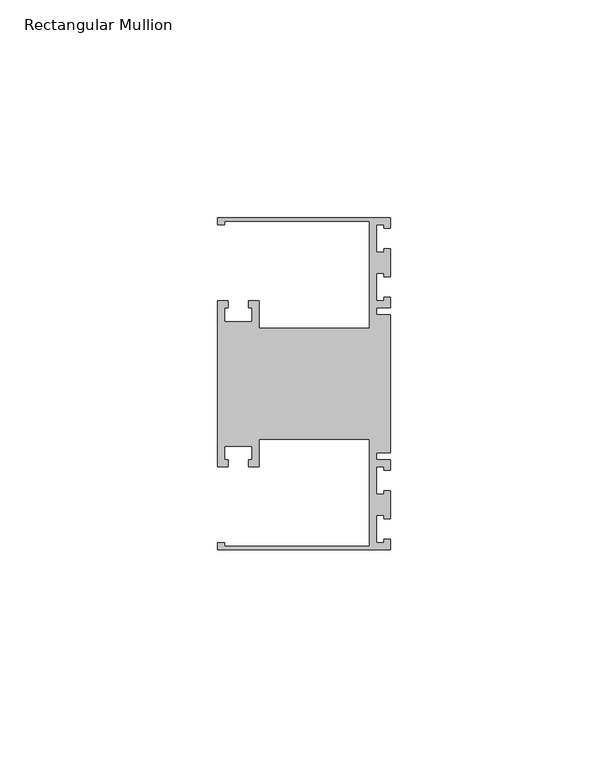
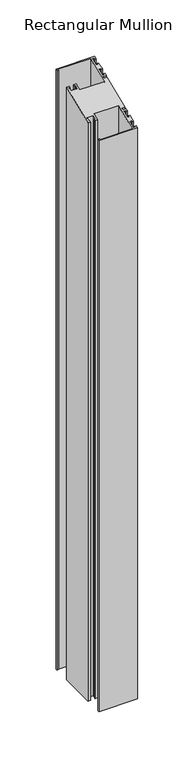
"""IFC4 building model written with IfcOpenShell, lengths in millimetres: member geometry, Rectangular Mullion."""

from ifc_helpers import new_model, si_unit, origin, place, context, project, spatial, faceted_brep, source, transform, mapped, element, save


def rectangular_mullion_57081bc0(model_context):
    return source(origin(), model_context, "Body", "Brep", [
        faceted_brep([(0.0, -38.1, -635.0), (-39.6875, -38.1, -635.0), (-39.6875, -36.5125, -635.0), (-38.1, -36.5125, -635.0), (-38.1, -37.30625, -635.0), (-4.7625, -37.30625, -635.0), (-4.7625, -12.7, -635.0), (-30.1625, -12.7, -635.0), (-30.1625, -19.05, -635.0), (-32.54375, -19.05, -635.0), (-32.54375, -17.4625, -635.0), (-31.75, -17.4625, -635.0), (-31.75, -14.2875, -635.0), (-38.1, -14.2875, -635.0), (-38.1, -17.4625, -635.0), (-37.30625, -17.4625, -635.0), (-37.30625, -19.05, -635.0), (-39.6875, -19.05, -635.0), (-39.6875, 19.05, -635.0), (-37.30625, 19.05, -635.0), (-37.30625, 17.4625, -635.0), (-38.1, 17.4625, -635.0), (-38.1, 14.2875, -635.0), (-31.75, 14.2875, -635.0), (-31.75, 17.4625, -635.0), (-32.54375, 17.4625, -635.0), (-32.54375, 19.05, -635.0), (-30.1625, 19.05, -635.0), (-30.1625, 12.7, -635.0), (-4.7625, 12.7, -635.0), (-4.7625, 37.30625, -635.0), (-38.1, 37.30625, -635.0), (-38.1, 36.5125, -635.0), (-39.6875, 36.5125, -635.0), (-39.6875, 38.1, -635.0), (0.0, 38.1, -635.0), (0.0, 35.71875, -635.0), (-1.4999946, 35.71875, -635.0), (-1.4999946, 36.5125, -635.0), (-3.175, 36.5125, -635.0), (-3.175, 30.1625, -635.0), (-1.4999946, 30.1625, -635.0), (-1.4999946, 30.95625, -635.0), (0.0, 30.95625, -635.0), (0.0, 24.60625, -635.0), (-1.4999946, 24.60625, -635.0), (-1.4999946, 25.4, -635.0), (-3.175, 25.4, -635.0), (-3.175, 19.05, -635.0), (-1.4999946, 19.05, -635.0), (-1.4999946, 19.84375, -635.0), (0.0, 19.84375, -635.0), (0.0, 17.4625, -635.0), (-3.175, 17.4625, -635.0), (-3.175, 15.875, -635.0), (0.0, 15.875, -635.0), (0.0, -15.875, -635.0), (-3.175, -15.875, -635.0), (-3.175, -17.4625, -635.0), (0.0, -17.4625, -635.0), (0.0, -19.84375, -635.0), (-1.4999946, -19.84375, -635.0), (-1.4999946, -19.05, -635.0), (-3.175, -19.05, -635.0), (-3.175, -25.4, -635.0), (-1.4999946, -25.4, -635.0), (-1.4999946, -24.60625, -635.0), (0.0, -24.60625, -635.0), (0.0, -30.95625, -635.0), (-1.4999946, -30.95625, -635.0), (-1.4999946, -30.1625, -635.0), (-3.175, -30.1625, -635.0), (-3.175, -36.5125, -635.0), (-1.4999946, -36.5125, -635.0), (-1.4999946, -35.71875, -635.0), (0.0, -35.71875, -635.0), (0.0, -35.71875, -14.7951907), (0.0, -38.1, -15.7815367), (-1.4999946, -35.71875, -14.7951907), (-1.4999946, -36.5125, -15.1239727), (-3.175, -36.5125, -15.1239727), (-3.175, -30.1625, -12.4937166), (-1.4999946, -30.1625, -12.4937166), (-1.4999946, -30.95625, -12.8224986), (0.0, -30.95625, -12.8224986), (0.0, -24.60625, -10.1922425), (-1.4999946, -24.60625, -10.1922425), (-1.4999946, -25.4, -10.5210245), (-3.175, -25.4, -10.5210245), (-3.175, -19.05, -7.8907684), (-1.4999946, -19.05, -7.8907684), (-1.4999946, -19.84375, -8.2195504), (0.0, -19.84375, -8.2195504), (0.0, -17.4625, -7.2332043), (-3.175, -17.4625, -7.2332043), (-3.175, -15.875, -6.5756403), (0.0, -15.875, -6.5756403), (0.0, 15.875, 6.5756403), (-3.175, 15.875, 6.5756403), (-3.175, 17.4625, 7.2332043), (0.0, 17.4625, 7.2332043), (0.0, 19.84375, 8.2195504), (-1.4999946, 19.84375, 8.2195504), (-1.4999946, 19.05, 7.8907684), (-3.175, 19.05, 7.8907684), (-3.175, 25.4, 10.5210245), (-1.4999946, 25.4, 10.5210245), (-1.4999946, 24.60625, 10.1922425), (0.0, 24.60625, 10.1922425), (0.0, 30.95625, 12.8224986), (-1.4999946, 30.95625, 12.8224986), (-1.4999946, 30.1625, 12.4937166), (-3.175, 30.1625, 12.4937166), (-3.175, 36.5125, 15.1239727), (-1.4999946, 36.5125, 15.1239727), (-1.4999946, 35.71875, 14.7951907), (0.0, 35.71875, 14.7951907), (0.0, 38.1, 15.7815367), (-39.6875, 38.1, 15.7815367), (-39.6875, 36.5125, 15.1239727), (-38.1, 36.5125, 15.1239727), (-38.1, 37.30625, 15.4527547), (-4.7625, 37.30625, 15.4527547), (-4.7625, 12.7, 5.2605122), (-30.1625, 12.7, 5.2605122), (-30.1625, 19.05, 7.8907684), (-32.54375, 19.05, 7.8907684), (-32.54375, 17.4625, 7.2332043), (-31.75, 17.4625, 7.2332043), (-31.75, 14.2875, 5.9180763), (-38.1, 14.2875, 5.9180763), (-38.1, 17.4625, 7.2332043), (-37.30625, 17.4625, 7.2332043), (-37.30625, 19.05, 7.8907684), (-39.6875, 19.05, 7.8907684), (-39.6875, -19.05, -7.8907684), (-37.30625, -19.05, -7.8907684), (-37.30625, -17.4625, -7.2332043), (-38.1, -17.4625, -7.2332043), (-38.1, -14.2875, -5.9180763), (-31.75, -14.2875, -5.9180763), (-31.75, -17.4625, -7.2332043), (-32.54375, -17.4625, -7.2332043), (-32.54375, -19.05, -7.8907684), (-30.1625, -19.05, -7.8907684), (-30.1625, -12.7, -5.2605122), (-4.7625, -12.7, -5.2605122), (-4.7625, -37.30625, -15.4527547), (-38.1, -37.30625, -15.4527547), (-38.1, -36.5125, -15.1239727), (-39.6875, -36.5125, -15.1239727), (-39.6875, -38.1, -15.7815367)], [[[0, 1, 2, 3, 4, 5, 6, 7, 8, 9, 10, 11, 12, 13, 14, 15, 16, 17, 18, 19, 20, 21, 22, 23, 24, 25, 26, 27, 28, 29, 30, 31, 32, 33, 34, 35, 36, 37, 38, 39, 40, 41, 42, 43, 44, 45, 46, 47, 48, 49, 50, 51, 52, 53, 54, 55, 56, 57, 58, 59, 60, 61, 62, 63, 64, 65, 66, 67, 68, 69, 70, 71, 72, 73, 74, 75]], [[76, 77, 0, 75]], [[78, 76, 75, 74]], [[79, 78, 74, 73]], [[80, 79, 73, 72]], [[81, 80, 72, 71]], [[82, 81, 71, 70]], [[83, 82, 70, 69]], [[84, 83, 69, 68]], [[85, 84, 68, 67]], [[86, 85, 67, 66]], [[87, 86, 66, 65]], [[88, 87, 65, 64]], [[89, 88, 64, 63]], [[90, 89, 63, 62]], [[91, 90, 62, 61]], [[92, 91, 61, 60]], [[93, 92, 60, 59]], [[94, 93, 59, 58]], [[95, 94, 58, 57]], [[96, 95, 57, 56]], [[97, 96, 56, 55]], [[98, 97, 55, 54]], [[99, 98, 54, 53]], [[100, 99, 53, 52]], [[101, 100, 52, 51]], [[102, 101, 51, 50]], [[103, 102, 50, 49]], [[104, 103, 49, 48]], [[105, 104, 48, 47]], [[106, 105, 47, 46]], [[107, 106, 46, 45]], [[108, 107, 45, 44]], [[109, 108, 44, 43]], [[110, 109, 43, 42]], [[111, 110, 42, 41]], [[112, 111, 41, 40]], [[113, 112, 40, 39]], [[114, 113, 39, 38]], [[115, 114, 38, 37]], [[116, 115, 37, 36]], [[117, 116, 36, 35]], [[118, 117, 35, 34]], [[119, 118, 34, 33]], [[120, 119, 33, 32]], [[121, 120, 32, 31]], [[122, 121, 31, 30]], [[123, 122, 30, 29]], [[124, 123, 29, 28]], [[125, 124, 28, 27]], [[126, 125, 27, 26]], [[127, 126, 26, 25]], [[128, 127, 25, 24]], [[129, 128, 24, 23]], [[130, 129, 23, 22]], [[131, 130, 22, 21]], [[132, 131, 21, 20]], [[133, 132, 20, 19]], [[134, 133, 19, 18]], [[135, 134, 18, 17]], [[136, 135, 17, 16]], [[137, 136, 16, 15]], [[138, 137, 15, 14]], [[139, 138, 14, 13]], [[140, 139, 13, 12]], [[141, 140, 12, 11]], [[142, 141, 11, 10]], [[143, 142, 10, 9]], [[144, 143, 9, 8]], [[145, 144, 8, 7]], [[146, 145, 7, 6]], [[147, 146, 6, 5]], [[148, 147, 5, 4]], [[149, 148, 4, 3]], [[150, 149, 3, 2]], [[151, 150, 2, 1]], [[77, 151, 1, 0]], [[77, 76, 78, 79, 80, 81, 82, 83, 84, 85, 86, 87, 88, 89, 90, 91, 92, 93, 94, 95, 96, 97, 98, 99, 100, 101, 102, 103, 104, 105, 106, 107, 108, 109, 110, 111, 112, 113, 114, 115, 116, 117, 118, 119, 120, 121, 122, 123, 124, 125, 126, 127, 128, 129, 130, 131, 132, 133, 134, 135, 136, 137, 138, 139, 140, 141, 142, 143, 144, 145, 146, 147, 148, 149, 150, 151]]]),
    ])


if __name__ == "__main__":
    model = new_model("IFC4")
    model_context = context("Model", 3, world=origin())
    ifc_project = project(units=[si_unit("LENGTHUNIT", "METRE", prefix="MILLI")], contexts=[model_context])
    site = spatial("IfcSite", under=ifc_project)
    building = spatial("IfcBuilding", under=site)
    placement = place(None, origin())
    rectangular_mullion_shape = rectangular_mullion_57081bc0(model_context)
    element("IfcMember", 1, ObjectType="Rectangular Mullion", at=placement, inside=building, context=model_context, shape_type="MappedRepresentation", body=[
        mapped(rectangular_mullion_shape, transform((0.0, 0.0, 0.0), x_axis=(1.0, 0.0, 0.0), y_axis=(0.0, 1.0, 0.0), z_axis=(0.0, 0.0, 1.0))),
    ])
    save(model, "model.ifc")
